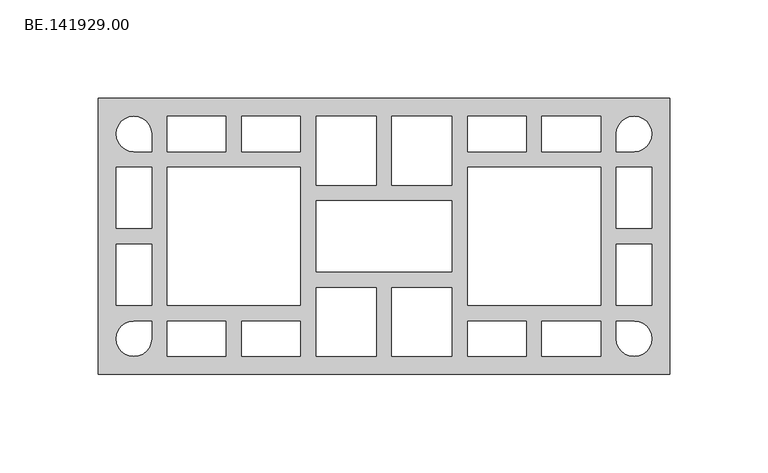
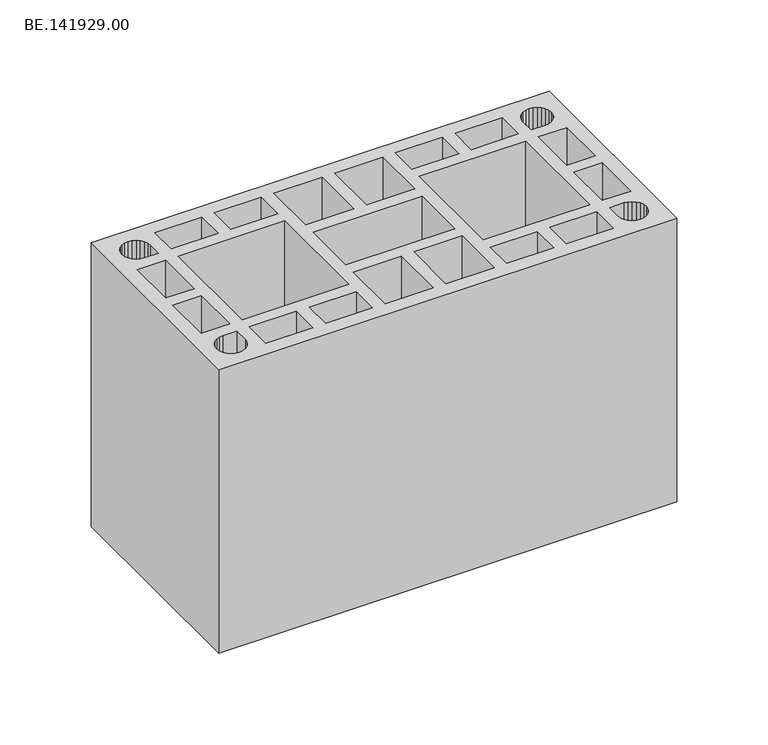
"""IFC4 building model written with IfcOpenShell, lengths in millimetres: proxy geometry, BE.141929.00."""

from ifc_helpers import new_model, si_unit, origin, origin_with_axes, place, context, project, spatial, polyline, outline, extrude, source, transform, mapped, element, save


def be_141929_00_d813d915(model_context):
    return source(origin(), model_context, "Body", "SweptSolid", [
        extrude(outline(polyline([(295.0, 70.0050293), (295.0, -70.0050293), (5.0, -70.0050293), (5.0, 70.0050293), (295.0, 70.0050293)]), holes=[polyline([(29.352002, 58.3592285), (27.4916504, 59.7916992), (25.3150391, 60.7032715), (22.9895996, 61.0009277), (20.6641602, 60.7032715), (18.4875488, 59.7916992), (16.6271973, 58.3592285), (15.1947266, 56.498877), (14.3017578, 54.3408691), (13.985498, 51.9968262), (14.3017578, 49.6713867), (15.1947266, 47.4947754), (16.6271973, 45.6344238), (18.4875488, 44.2019531), (20.6641602, 43.3089844), (22.9895996, 43.0113281), (31.9937012, 43.0113281), (31.9937012, 51.9968262), (31.6774414, 54.3408691), (30.7844727, 56.498877), (29.352002, 58.3592285)]), polyline([(69.7402344, 61.0009277), (39.9932129, 61.0009277), (39.9932129, 43.0113281), (69.7402344, 43.0113281), (69.7402344, 61.0009277)]), polyline([(107.4867676, 61.0009277), (77.7397461, 61.0009277), (77.7397461, 43.0113281), (107.4867676, 43.0113281), (107.4867676, 61.0009277)]), polyline([(145.9960449, 61.0009277), (115.4862793, 61.0009277), (115.4862793, 26.0077148), (145.9960449, 26.0077148), (145.9960449, 61.0009277)]), polyline([(184.4867188, 18.0082031), (115.4862793, 18.0082031), (115.4862793, -17.9895996), (184.4867188, -17.9895996), (184.4867188, 18.0082031)]), polyline([(184.4867188, 26.0077148), (184.4867188, 61.0009277), (153.9955566, 61.0009277), (153.9955566, 26.0077148), (184.4867188, 26.0077148)]), polyline([(192.4862305, 61.0009277), (192.4862305, 43.0113281), (222.233252, 43.0113281), (222.233252, 61.0009277), (192.4862305, 61.0009277)]), polyline([(259.9983887, 61.0009277), (230.2327637, 61.0009277), (230.2327637, 43.0113281), (259.9983887, 43.0113281), (259.9983887, 61.0009277)]), polyline([(269.1885254, 56.498877), (268.2955566, 54.3408691), (267.9979004, 51.9968262), (267.9979004, 43.0113281), (276.9833984, 43.0113281), (279.3274414, 43.3089844), (281.4854492, 44.2019531), (283.3458008, 45.6344238), (284.7782715, 47.4947754), (285.6898438, 49.6713867), (285.9875, 51.9968262), (285.6898438, 54.3408691), (284.7782715, 56.498877), (283.3458008, 58.3592285), (281.4854492, 59.7916992), (279.3274414, 60.7032715), (276.9833984, 61.0009277), (274.657959, 60.7032715), (272.4999512, 59.7916992), (270.6209961, 58.3592285), (269.1885254, 56.498877)]), polyline([(107.4867676, 35.0118164), (39.9932129, 35.0118164), (39.9932129, -34.9932129), (107.4867676, -34.9932129), (107.4867676, 35.0118164)]), polyline([(259.9983887, 35.0118164), (192.4862305, 35.0118164), (192.4862305, -34.9932129), (259.9983887, -34.9932129), (259.9983887, 35.0118164)]), polyline([(267.9979004, 35.0118164), (267.9979004, 3.9997559), (285.9875, 3.9997559), (285.9875, 35.0118164), (267.9979004, 35.0118164)]), polyline([(29.352002, -58.3592285), (30.7844727, -56.498877), (31.6774414, -54.3408691), (31.9937012, -51.9968262), (31.9937012, -43.0113281), (22.9895996, -43.0113281), (20.6641602, -43.3089844), (18.4875488, -44.2019531), (16.6271973, -45.6344238), (15.1947266, -47.4947754), (14.3017578, -49.6713867), (13.985498, -51.9968262), (14.3017578, -54.3408691), (15.1947266, -56.498877), (16.6271973, -58.3592285), (18.4875488, -59.7916992), (20.6641602, -60.7032715), (22.9895996, -61.0009277), (25.3150391, -60.7032715), (27.4916504, -59.7916992), (29.352002, -58.3592285)]), polyline([(69.7402344, -61.0009277), (69.7402344, -43.0113281), (39.9932129, -43.0113281), (39.9932129, -61.0009277), (69.7402344, -61.0009277)]), polyline([(107.4867676, -61.0009277), (107.4867676, -43.0113281), (77.7397461, -43.0113281), (77.7397461, -61.0009277), (107.4867676, -61.0009277)]), polyline([(145.9960449, -61.0009277), (145.9960449, -26.0077148), (115.4862793, -26.0077148), (115.4862793, -61.0009277), (145.9960449, -61.0009277)]), polyline([(184.4867188, -26.0077148), (153.9955566, -26.0077148), (153.9955566, -61.0009277), (184.4867188, -61.0009277), (184.4867188, -26.0077148)]), polyline([(192.4862305, -61.0009277), (222.233252, -61.0009277), (222.233252, -43.0113281), (192.4862305, -43.0113281), (192.4862305, -61.0009277)]), polyline([(259.9983887, -61.0009277), (259.9983887, -43.0113281), (230.2327637, -43.0113281), (230.2327637, -61.0009277), (259.9983887, -61.0009277)]), polyline([(269.1885254, -56.498877), (270.6209961, -58.3592285), (272.4999512, -59.7916992), (274.657959, -60.7032715), (276.9833984, -61.0009277), (279.3274414, -60.7032715), (281.4854492, -59.7916992), (283.3458008, -58.3592285), (284.7782715, -56.498877), (285.6898438, -54.3408691), (285.9875, -51.9968262), (285.6898438, -49.6713867), (284.7782715, -47.4947754), (283.3458008, -45.6344238), (281.4854492, -44.2019531), (279.3274414, -43.3089844), (276.9833984, -43.0113281), (267.9979004, -43.0113281), (267.9979004, -51.9968262), (268.2955566, -54.3408691), (269.1885254, -56.498877)]), polyline([(267.9979004, -35.0118164), (285.9875, -35.0118164), (285.9875, -3.9997559), (267.9979004, -3.9997559), (267.9979004, -35.0118164)]), polyline([(32.0020996, 35.0118164), (14.0125, 35.0118164), (14.0125, 3.9997559), (32.0020996, 3.9997559), (32.0020996, 35.0118164)]), polyline([(32.0020996, -35.0118164), (32.0020996, -3.9997559), (14.0125, -3.9997559), (14.0125, -35.0118164), (32.0020996, -35.0118164)])]), origin_with_axes(), (0.0, 0.0, 1.0), 190.0),
    ])


if __name__ == "__main__":
    model = new_model("IFC4")
    model_context = context("Model", 3, world=origin())
    ifc_project = project(units=[si_unit("LENGTHUNIT", "METRE", prefix="MILLI")], contexts=[model_context])
    site = spatial("IfcSite", under=ifc_project)
    building = spatial("IfcBuilding", under=site)
    placement = place(None, origin())
    be_141929_00_shape = be_141929_00_d813d915(model_context)
    element("IfcBuildingElementProxy", 1, Name="BE.141929.00", ObjectType="BE.141929.00", at=placement, inside=building, context=model_context, shape_type="MappedRepresentation", body=[
        mapped(be_141929_00_shape, transform((0.0, 0.0, 0.0), x_axis=(1.0, 0.0, 0.0), y_axis=(0.0, 1.0, 0.0), z_axis=(0.0, 0.0, 1.0))),
    ])
    save(model, "model.ifc")
